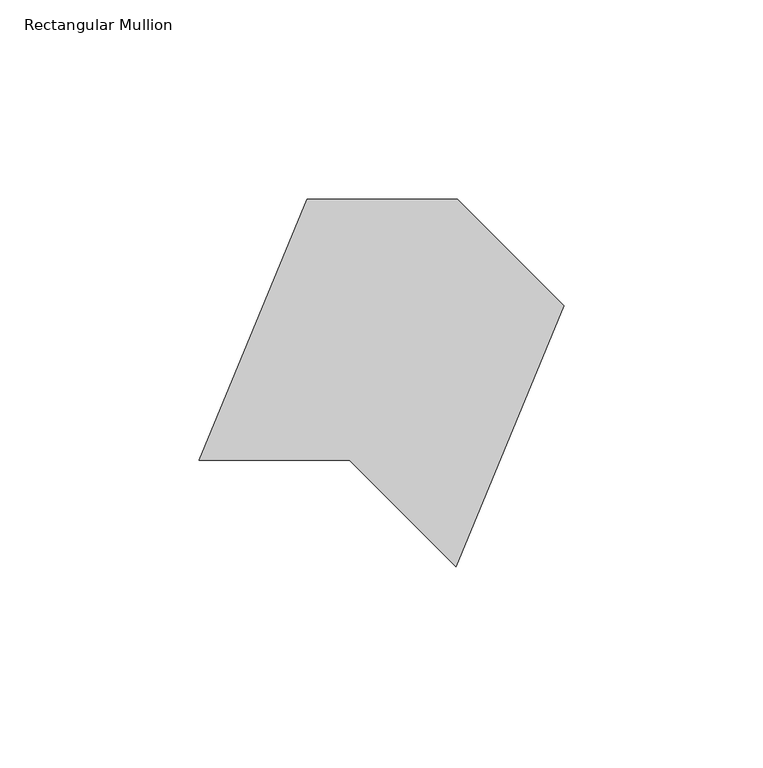
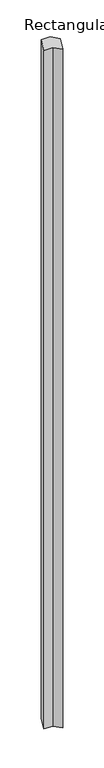
"""IFC4 building model written with IfcOpenShell, lengths in millimetres: member geometry, Rectangular Mullion."""

from ifc_helpers import new_model, si_unit, frame, origin, place, context, project, spatial, polyline, outline, extrude, source, transform, mapped, element, save


def rectangular_mullion_ea8d48aa(model_context):
    return source(origin(), model_context, "Body", "SweptSolid", [
        extrude(outline(polyline([(-26.7304378, 64.6585998), (0.0, 37.9281621), (-27.1770074, -27.6829378), (-53.9074451, -0.9525), (-91.7099927, -0.9525), (-64.5329853, 64.6585998), (-26.7304378, 64.6585998)])), frame((0.0, 0.0, -3048.0), z_axis=(0.0, 0.0, 1.0), x_axis=(1.0, 0.0, 0.0)), (0.0, 0.0, 1.0), 3048.0),
    ])


if __name__ == "__main__":
    model = new_model("IFC4")
    model_context = context("Model", 3, world=origin())
    ifc_project = project(units=[si_unit("LENGTHUNIT", "METRE", prefix="MILLI")], contexts=[model_context])
    site = spatial("IfcSite", under=ifc_project)
    building = spatial("IfcBuilding", under=site)
    placement = place(None, origin())
    rectangular_mullion_shape = rectangular_mullion_ea8d48aa(model_context)
    element("IfcMember", 1, ObjectType="Rectangular Mullion", at=placement, inside=building, context=model_context, shape_type="MappedRepresentation", body=[
        mapped(rectangular_mullion_shape, transform((0.0, 0.0, 0.0), x_axis=(1.0, 0.0, 0.0), y_axis=(0.0, 1.0, 0.0), z_axis=(0.0, 0.0, 1.0))),
    ])
    save(model, "model.ifc")
